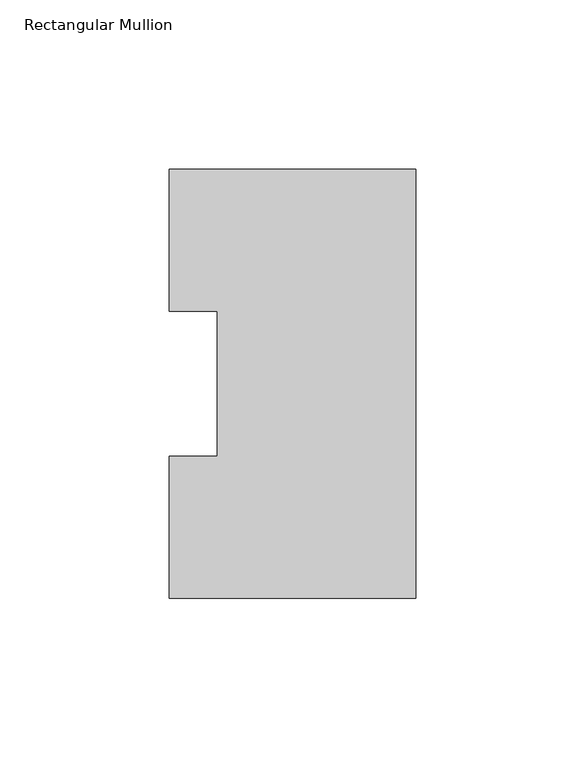
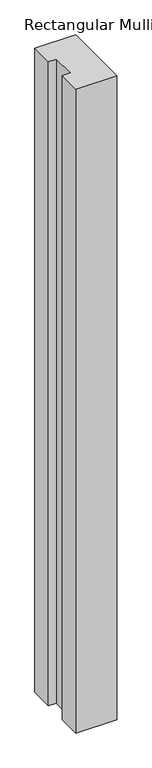
"""IFC4 building model written with IfcOpenShell, lengths in millimetres: member geometry, Rectangular Mullion."""

import ifcopenshell
import ifcopenshell.guid

model = None  # the IFC model being written
_history = None  # IfcOwnerHistory: only IFC2X3 demands one
_inside = {}  # id of a spatial element -> (the spatial element, [elements in it])
_under = {}  # id of a project, library or spatial element -> (it, [spatial elements below it])
_declared = {}  # id of a project -> (the project, [libraries it declares])
_typed = {}  # id of a type object -> (the type object, [elements of that type])
_made_of = {}  # id of a material, layer set ... -> (it, [elements and type objects made of it])


def new_model(schema):
    """Start an empty IFC model of exactly this schema.

    Asked for "IFC4X3", IfcOpenShell would pick the latest addendum, in which some entities
    have other attributes; the version numbers below select the first issue.
    IFC2X3 requires an IfcOwnerHistory on every rooted entity: one is made here for all.
    """
    global model, _history
    if schema == "IFC4X3":
        model = ifcopenshell.file(schema_version=(4, 3, 0, 0))
    else:
        model = ifcopenshell.file(schema=schema)
    _inside.clear()
    _under.clear()
    _declared.clear()
    _typed.clear()
    _made_of.clear()
    _history = None
    if model.schema == "IFC2X3":
        org = make("IfcOrganization", Name="unknown")
        user = make(
            "IfcPersonAndOrganization",
            ThePerson=make("IfcPerson", FamilyName="unknown"),
            TheOrganization=org,
        )
        app = make(
            "IfcApplication",
            ApplicationDeveloper=org,
            Version="unknown",
            ApplicationFullName="unknown",
            ApplicationIdentifier="unknown",
        )
        _history = make(
            "IfcOwnerHistory",
            OwningUser=user,
            OwningApplication=app,
            ChangeAction="ADDED",
            CreationDate=0,
        )
    return model


def make(cls, **values):
    """One entity of the class cls with the attributes given. An attribute that is None is left unset."""
    return model.create_entity(
        cls, **{name: value for name, value in values.items() if value is not None}
    )


def rooted(cls, **values):
    """An entity with a GlobalId (a new one), such as an element, a storey or a relation."""
    return make(cls, GlobalId=ifcopenshell.guid.new(), OwnerHistory=_history, **values)


def si_unit(unit_type, name, prefix=None):
    """IfcSIUnit, for example si_unit("LENGTHUNIT", "METRE", prefix="MILLI")."""
    return make("IfcSIUnit", UnitType=unit_type, Prefix=prefix, Name=name)


def assignment(units):
    """IfcUnitAssignment: the units of a project."""
    return None if units is None else make("IfcUnitAssignment", Units=units)


def point(xyz):
    """IfcCartesianPoint."""
    return None if xyz is None else make("IfcCartesianPoint", Coordinates=xyz)


def direction(xyz):
    """IfcDirection."""
    return None if xyz is None else make("IfcDirection", DirectionRatios=xyz)


def frame(location, z_axis=None, x_axis=None):
    """IfcAxis2Placement3D, a coordinate frame: its origin and axes. An axis left out is left unset."""
    return make(
        "IfcAxis2Placement3D",
        Location=point(location),
        Axis=direction(z_axis),
        RefDirection=direction(x_axis),
    )


def origin():
    """The frame at (0, 0, 0) with its axes left unset."""
    return frame((0.0, 0.0, 0.0))


def place(relative_to, where):
    """IfcLocalPlacement: puts the frame where relative to a parent placement (None: the world)."""
    return make(
        "IfcLocalPlacement", PlacementRelTo=relative_to, RelativePlacement=where
    )


def context(
    kind, dimensions, precision=None, world=None, true_north=None, identifier=None
):
    """IfcGeometricRepresentationContext, for example the 3D "Model" context."""
    return make(
        "IfcGeometricRepresentationContext",
        ContextIdentifier=identifier,
        ContextType=kind,
        CoordinateSpaceDimension=dimensions,
        Precision=precision,
        WorldCoordinateSystem=world,
        TrueNorth=true_north,
    )


def project(units=None, contexts=None):
    """IfcProject with its units and contexts."""
    return rooted(
        "IfcProject",
        Name="project",
        RepresentationContexts=contexts,
        UnitsInContext=assignment(units),
    )


def spatial(cls, under=None, at=None, **own):
    """A site, building, storey or space (cls), placed at a placement, below another one or the project."""
    s = rooted(cls, ObjectPlacement=at, **own)
    if under is not None:
        _under.setdefault(under.id(), (under, []))[1].append(s)
    return s


def polyline(points):
    """IfcPolyline through the points."""
    return make("IfcPolyline", Points=[point(p) for p in points])


def outline(outer, holes=None, kind="AREA"):
    """IfcArbitraryClosedProfileDef: a profile drawn as a closed curve; with holes, ...WithVoids."""
    if holes is None:
        return make("IfcArbitraryClosedProfileDef", ProfileType=kind, OuterCurve=outer)
    return make(
        "IfcArbitraryProfileDefWithVoids",
        ProfileType=kind,
        OuterCurve=outer,
        InnerCurves=holes,
    )


def extrude(swept, where, along, depth):
    """IfcExtrudedAreaSolid: the profile swept, set in the frame where, extruded along a direction by depth."""
    return make(
        "IfcExtrudedAreaSolid",
        SweptArea=swept,
        Position=where,
        ExtrudedDirection=direction(along),
        Depth=depth,
    )


def shape(context_of_items, identifier, shape_type, items):
    """IfcShapeRepresentation: the items that make up one representation, for example the "Body"."""
    return make(
        "IfcShapeRepresentation",
        ContextOfItems=context_of_items,
        RepresentationIdentifier=identifier,
        RepresentationType=shape_type,
        Items=items,
    )


def source(mapping_origin, context_of_items, identifier, shape_type, items):
    """IfcRepresentationMap: a shape defined once, which mapped items show again and again."""
    return make(
        "IfcRepresentationMap",
        MappingOrigin=mapping_origin,
        MappedRepresentation=shape(context_of_items, identifier, shape_type, items),
    )


def transform(
    local_origin,
    x_axis=None,
    y_axis=None,
    z_axis=None,
    scale=None,
    scale2=None,
    scale3=None,
    uniform=True,
):
    """IfcCartesianTransformationOperator3D, or its non-uniform kind. x_axis, y_axis, z_axis: its Axis1, 2, 3."""
    if uniform:
        return make(
            "IfcCartesianTransformationOperator3D",
            Axis1=direction(x_axis),
            Axis2=direction(y_axis),
            LocalOrigin=point(local_origin),
            Scale=scale,
            Axis3=direction(z_axis),
        )
    return make(
        "IfcCartesianTransformationOperator3DnonUniform",
        Axis1=direction(x_axis),
        Axis2=direction(y_axis),
        LocalOrigin=point(local_origin),
        Scale=scale,
        Axis3=direction(z_axis),
        Scale2=scale2,
        Scale3=scale3,
    )


def mapped(mapping_source, mapping_target):
    """IfcMappedItem: shows the shape of a source again, moved by a transform."""
    return make(
        "IfcMappedItem", MappingSource=mapping_source, MappingTarget=mapping_target
    )


def made_of(thing, what):
    """Note that an element or type object is made of a material, layer set ...; save() writes the relation."""
    if what is not None:
        _made_of.setdefault(what.id(), (what, []))[1].append(thing)
    return thing


def element(
    cls,
    number,
    at=None,
    inside=None,
    cuts=None,
    type_object=None,
    material=None,
    context=None,
    identifier="Body",
    shape_type=None,
    held_by="IfcProductDefinitionShape",
    body=None,
    shapes=None,
    **own,
):
    """One element of the class cls, such as IfcWall. Its Tag is "e" and its number.

    at: its placement. inside: the storey or other place that contains it. cuts: it is an
    opening in that element (IfcRelVoidsElement). A single representation is given by context,
    identifier, shape_type and body (its items); several are given by shapes. held_by: the class
    of the entity that holds the representations. save() writes the other relations.
    """
    e = rooted(cls, Tag="e%d" % number, ObjectPlacement=at, **own)
    if body is not None:
        shapes = [shape(context, identifier, shape_type, body)]
    if shapes is not None:
        e.Representation = make(held_by, Representations=shapes)
    if inside is not None:
        _inside.setdefault(inside.id(), (inside, []))[1].append(e)
    if cuts is not None:
        rooted(
            "IfcRelVoidsElement", RelatingBuildingElement=cuts, RelatedOpeningElement=e
        )
    if type_object is not None:
        _typed.setdefault(type_object.id(), (type_object, []))[1].append(e)
    return made_of(e, material)


def aggregate(whole, parts):
    """IfcRelAggregates: a whole, such as a stair, and the parts it consists of."""
    return rooted("IfcRelAggregates", RelatingObject=whole, RelatedObjects=parts)


def save(model, path):
    """Write the relations noted so far, then the file.

    IfcRelAggregates (storeys below a building ...), IfcRelContainedInSpatialStructure (elements
    in a storey), IfcRelDefinesByType, IfcRelAssociatesMaterial and IfcRelDeclares: one each for
    every whole, place, type object, material and project.
    """
    for whole, parts in _under.values():
        aggregate(whole, parts)
    for where, things in _inside.values():
        rooted(
            "IfcRelContainedInSpatialStructure",
            RelatedElements=things,
            RelatingStructure=where,
        )
    for kind, things in _typed.values():
        rooted("IfcRelDefinesByType", RelatedObjects=things, RelatingType=kind)
    for what, things in _made_of.values():
        rooted("IfcRelAssociatesMaterial", RelatedObjects=things, RelatingMaterial=what)
    for by, libraries in _declared.values():
        rooted("IfcRelDeclares", RelatingContext=by, RelatedDefinitions=libraries)
    model.write(path)


def rectangular_mullion_dd04434a(model_context):
    return source(origin(), model_context, "Body", "SweptSolid", [
        extrude(outline(polyline([(-73.025, 126.7086938), (0.0, 126.7086938), (0.0, -0.2913062), (-73.025, -0.2913062), (-73.025, 41.7837938), (-58.7375, 41.7837938), (-58.7375, 84.6335938), (-73.025, 84.6335938), (-73.025, 126.7086938)])), frame((0.0, 0.0, -1219.2), z_axis=(0.0, 0.0, 1.0), x_axis=(1.0, 0.0, 0.0)), (0.0, 0.0, 1.0), 1219.2),
    ])


if __name__ == "__main__":
    model = new_model("IFC4")
    model_context = context("Model", 3, world=origin())
    ifc_project = project(units=[si_unit("LENGTHUNIT", "METRE", prefix="MILLI")], contexts=[model_context])
    site = spatial("IfcSite", under=ifc_project)
    building = spatial("IfcBuilding", under=site)
    placement = place(None, origin())
    rectangular_mullion_shape = rectangular_mullion_dd04434a(model_context)
    element("IfcMember", 1, ObjectType="Rectangular Mullion", at=placement, inside=building, context=model_context, shape_type="MappedRepresentation", body=[
        mapped(rectangular_mullion_shape, transform((0.0, 0.0, 0.0), x_axis=(1.0, 0.0, 0.0), y_axis=(0.0, 1.0, 0.0), z_axis=(0.0, 0.0, 1.0))),
    ])
    save(model, "model.ifc")
